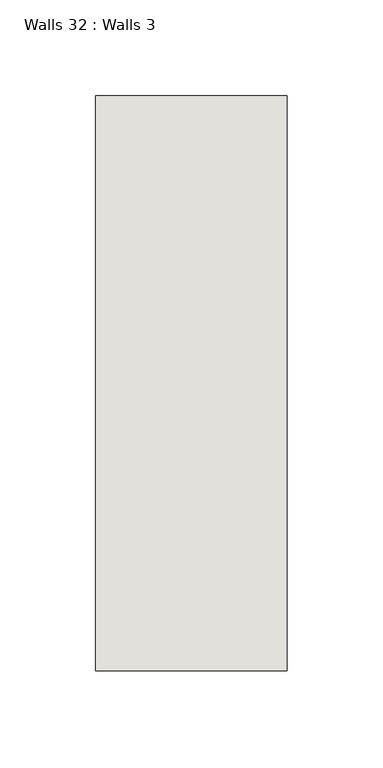
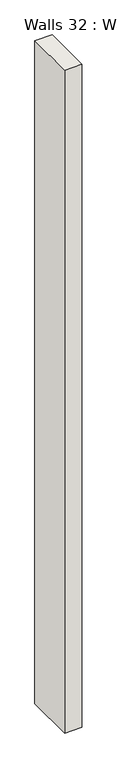
"""IFC4 building model written with IfcOpenShell, lengths in millimetres: wall geometry, Walls 32 : Walls 3."""

from ifc_helpers import new_model, si_unit, origin, origin_with_axes, place, context, project, spatial, polyline, outline, extrude, source, transform, mapped, element, save


def walls_32_walls_3_c9d1409f(model_context):
    return source(origin(), model_context, "Body", "SweptSolid", [
        extrude(outline(polyline([(-2812.3812655, 1518.41264), (-2812.3812655, 1818.41264), (-2712.3812655, 1818.41264), (-2712.3812655, 1518.41264), (-2812.3812655, 1518.41264)])), origin_with_axes(), (0.0, 0.0, 1.0), 4085.1192828),
    ])


if __name__ == "__main__":
    model = new_model("IFC4")
    model_context = context("Model", 3, world=origin())
    ifc_project = project(units=[si_unit("LENGTHUNIT", "METRE", prefix="MILLI")], contexts=[model_context])
    site = spatial("IfcSite", under=ifc_project)
    building = spatial("IfcBuilding", under=site)
    placement = place(None, origin())
    walls_32_walls_3_shape = walls_32_walls_3_c9d1409f(model_context)
    element("IfcWall", 1, ObjectType="Walls 32 : Walls 3", at=placement, inside=building, context=model_context, shape_type="MappedRepresentation", body=[
        mapped(walls_32_walls_3_shape, transform((0.0, 0.0, 0.0), x_axis=(1.0, 0.0, 0.0), y_axis=(0.0, 1.0, 0.0), z_axis=(0.0, 0.0, 1.0))),
    ])
    save(model, "model.ifc")
